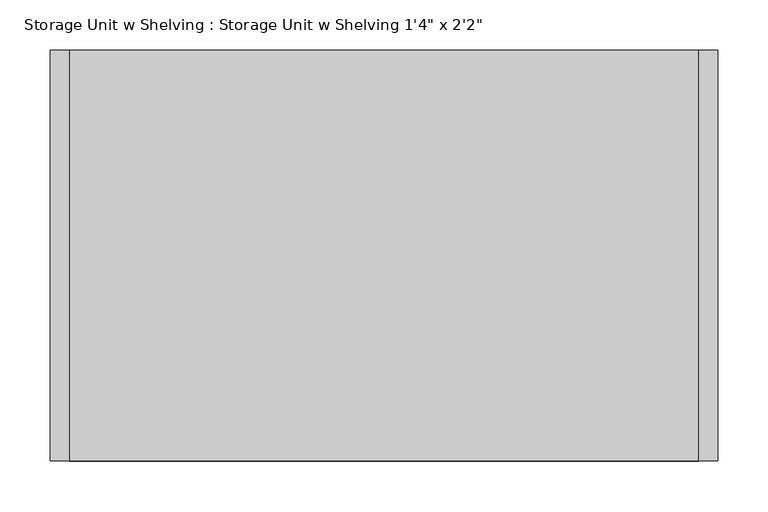
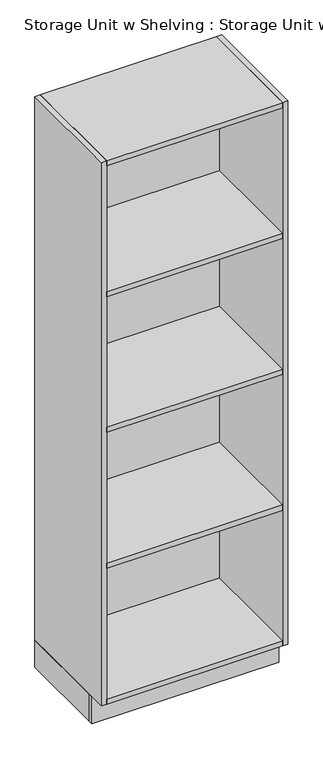
"""IFC4 building model written with IfcOpenShell, lengths in millimetres: furniture geometry."""

from ifc_helpers import new_model, si_unit, frame, origin, origin_with_axes, place, context, project, spatial, polyline, outline, extrude, source, transform, mapped, element, save


def furniture_149d6ef3(model_context):
    return source(origin(), model_context, "Body", "SweptSolid", [
        extrude(outline(polyline([(205.390969, -330.2), (205.390969, 0.0), (224.440969, 0.0), (224.440969, -330.2), (205.390969, -330.2)])), origin_with_axes(), (0.0, 0.0, 1.0), 101.6),
        extrude(outline(polyline([(-435.959031, -330.2), (-435.959031, 0.0), (-416.909031, 0.0), (-416.909031, -330.2), (-435.959031, -330.2)])), origin_with_axes(), (0.0, 0.0, 1.0), 101.6),
        extrude(outline(polyline([(205.390969, -19.05), (205.390969, -406.4), (-416.909031, -406.4), (-416.909031, -19.05), (205.390969, -19.05)])), frame((0.0, 0.0, 1625.6), z_axis=(0.0, 0.0, 1.0), x_axis=(1.0, 0.0, 0.0)), (0.0, 0.0, 1.0), 19.05),
        extrude(outline(polyline([(205.390969, -19.05), (205.390969, -406.4), (-416.909031, -406.4), (-416.909031, -19.05), (205.390969, -19.05)])), frame((0.0, 0.0, 1117.6), z_axis=(0.0, 0.0, 1.0), x_axis=(1.0, 0.0, 0.0)), (0.0, 0.0, 1.0), 19.05),
        extrude(outline(polyline([(205.390969, -19.05), (205.390969, -406.4), (-416.909031, -406.4), (-416.909031, -19.05), (205.390969, -19.05)])), frame((0.0, 0.0, 609.6), z_axis=(0.0, 0.0, 1.0), x_axis=(1.0, 0.0, 0.0)), (0.0, 0.0, 1.0), 19.05),
        extrude(outline(polyline([(205.390969, -19.05), (205.390969, -406.4), (-416.909031, -406.4), (-416.909031, -19.05), (205.390969, -19.05)])), frame((0.0, 0.0, 101.6), z_axis=(0.0, 0.0, 1.0), x_axis=(1.0, 0.0, 0.0)), (0.0, 0.0, 1.0), 19.05),
        extrude(outline(polyline([(205.390969, -19.05), (-416.909031, -19.05), (-416.909031, 0.0), (205.390969, 0.0), (205.390969, -19.05)])), origin_with_axes(), (0.0, 0.0, 1.0), 2114.55),
        extrude(outline(polyline([(205.390969, 0.0), (205.390969, -406.4), (-416.909031, -406.4), (-416.909031, 0.0), (205.390969, 0.0)])), frame((0.0, 0.0, 2114.55), z_axis=(0.0, 0.0, 1.0), x_axis=(1.0, 0.0, 0.0)), (0.0, 0.0, 1.0), 19.05),
        extrude(outline(polyline([(205.390969, -406.4), (205.390969, 0.0), (224.440969, 0.0), (224.440969, -406.4), (205.390969, -406.4)])), frame((0.0, 0.0, 101.6), z_axis=(0.0, 0.0, 1.0), x_axis=(1.0, 0.0, 0.0)), (0.0, 0.0, 1.0), 2032.0),
        extrude(outline(polyline([(-435.959031, -406.4), (-435.959031, 0.0), (-416.909031, 0.0), (-416.909031, -406.4), (-435.959031, -406.4)])), frame((0.0, 0.0, 101.6), z_axis=(0.0, 0.0, 1.0), x_axis=(1.0, 0.0, 0.0)), (0.0, 0.0, 1.0), 2032.0),
        extrude(outline(polyline([(-435.959031, -349.25), (-435.959031, -330.2), (224.440969, -330.2), (224.440969, -349.25), (-435.959031, -349.25)])), origin_with_axes(), (0.0, 0.0, 1.0), 101.6),
    ])


if __name__ == "__main__":
    model = new_model("IFC4")
    model_context = context("Model", 3, world=origin())
    ifc_project = project(units=[si_unit("LENGTHUNIT", "METRE", prefix="MILLI")], contexts=[model_context])
    site = spatial("IfcSite", under=ifc_project)
    building = spatial("IfcBuilding", under=site)
    placement = place(None, origin())
    furniture_shape = furniture_149d6ef3(model_context)
    element("IfcFurniture", 1, ObjectType="Storage Unit w Shelving : Storage Unit w Shelving 1'4\" x 2'2\"", at=placement, inside=building, context=model_context, shape_type="MappedRepresentation", body=[
        mapped(furniture_shape, transform((0.0, 0.0, 0.0), x_axis=(1.0, 0.0, 0.0), y_axis=(0.0, 1.0, 0.0), z_axis=(0.0, 0.0, 1.0))),
    ])
    save(model, "model.ifc")
